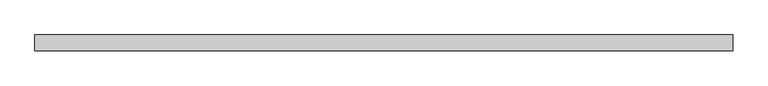
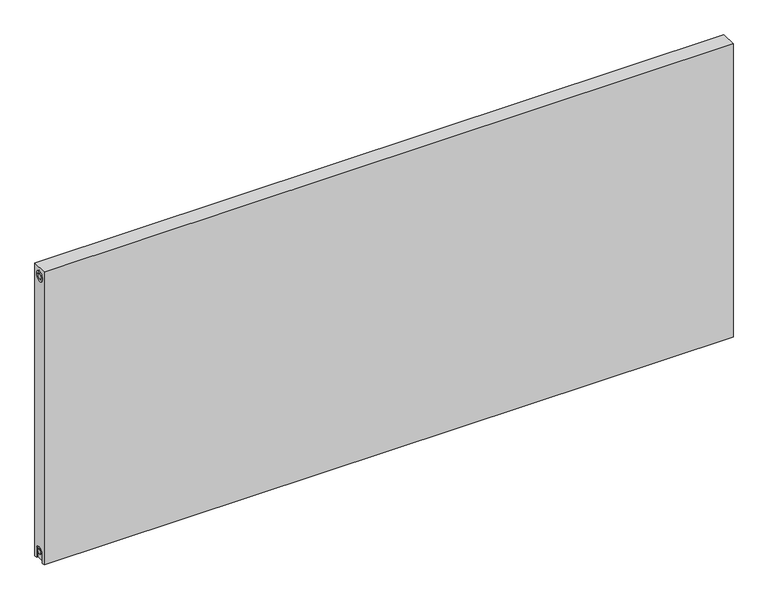
"""IFC4 building model written with IfcOpenShell, lengths in millimetres: proxy geometry."""

from ifc_helpers import new_model, si_unit, frame, origin, place, context, project, spatial, polyline, circle_curve, source, transform, mapped, element, save
from ifc_brep_helpers import plane_surface, cylinder_surface, revolved_surface, advanced_brep


def mechanical_equipment_e15193d9(model_context):
    return source(origin(), model_context, "Body", "AdvancedBrep", [
        advanced_brep(
        [(2000.0, 23.0, 900.0), (2000.0, 23.0, 0.0), (0.0, 23.0, 0.0), (0.0, 23.0, 900.0), (2000.0, -23.0, 900.0), (0.0, -23.0, 900.0), (0.0, -23.0, 0.0), (2000.0, -23.0, 0.0), (2000.0, -15.0, 0.0), (2000.0, -15.0, 27.0), (2000.0, 15.0, 27.0), (2000.0, 15.0, 0.0), (2000.0, 14.7242393, 873.0), (2000.0, -15.2757607, 873.0), (2000.0, -7.5, 27.0), (2000.0, 7.5, 27.0), (2000.0, 7.2242393, 873.0), (2000.0, -7.7757607, 873.0), (1995.0, 15.0, 0.0), (1995.0, -15.0, 0.0), (0.0, -15.0, 0.0), (5.0, -15.0, 0.0), (5.0, 15.0, 0.0), (0.0, 15.0, 0.0), (0.0, 15.0, 27.0), (0.0, -15.0, 27.0), (0.0, -15.2757607, 873.0), (0.0, 14.7242393, 873.0), (0.0, -7.7757607, 873.0), (0.0, 7.2242393, 873.0), (0.0, 7.5, 27.0), (0.0, -7.5, 27.0), (5.0, -15.2757607, 873.0), (5.0, 14.7242393, 873.0), (5.0, -7.7757607, 873.0), (5.0, 7.2242393, 873.0), (5.0, -15.0, 27.0), (5.0, 15.0, 27.0), (5.0, -7.5, 27.0), (5.0, 7.5, 27.0), (1995.0, 15.0, 27.0), (1995.0, -15.0, 27.0), (1995.0, -7.5, 27.0), (1995.0, 7.5, 27.0), (1995.0, -15.2757607, 873.0), (1995.0, 14.7242393, 873.0), (1995.0, -7.7757607, 873.0), (1995.0, 7.2242393, 873.0)],
        [
            (0, 1),
            (1, 2),
            (2, 3),
            (3, 0),
            (4, 5),
            (5, 6),
            (6, 7),
            (7, 4),
            (0, 4),
            (7, 8),
            (8, 9),
            (9, 10, circle_curve(frame((2000.0, 0.0, 27.0), z_axis=(-1.0, 0.0, 0.0), x_axis=(0.0, 1.0, 0.0)), 15.0)),
            (10, 11),
            (11, 1),
            (12, 13, circle_curve(frame((2000.0, -0.2757607, 873.0), z_axis=(-1.0, 0.0, 0.0), x_axis=(0.0, 1.0, 0.0)), 15.0)),
            (13, 12, circle_curve(frame((2000.0, -0.2757607, 873.0), z_axis=(-1.0, 0.0, 0.0), x_axis=(0.0, 1.0, 0.0)), 15.0)),
            (14, 15, circle_curve(frame((2000.0, 0.0, 27.0), z_axis=(1.0, 0.0, 0.0), x_axis=(0.0, 1.0, 0.0)), 7.5)),
            (15, 14, circle_curve(frame((2000.0, 0.0, 27.0), z_axis=(1.0, 0.0, 0.0), x_axis=(0.0, 1.0, 0.0)), 7.5)),
            (16, 17, circle_curve(frame((2000.0, -0.2757607, 873.0), z_axis=(1.0, 0.0, 0.0), x_axis=(0.0, 1.0, 0.0)), 7.5)),
            (17, 16, circle_curve(frame((2000.0, -0.2757607, 873.0), z_axis=(1.0, 0.0, 0.0), x_axis=(0.0, 1.0, 0.0)), 7.5)),
            (11, 18),
            (18, 19),
            (19, 8),
            (6, 20),
            (20, 21),
            (21, 22),
            (22, 23),
            (23, 2),
            (23, 24),
            (24, 25, circle_curve(frame((0.0, 0.0, 27.0), z_axis=(1.0, 0.0, 0.0), x_axis=(0.0, 1.0, 0.0)), 15.0)),
            (25, 20),
            (5, 3),
            (26, 27, circle_curve(frame((0.0, -0.2757607, 873.0), z_axis=(1.0, 0.0, 0.0), x_axis=(0.0, 1.0, 0.0)), 15.0)),
            (27, 26, circle_curve(frame((0.0, -0.2757607, 873.0), z_axis=(1.0, 0.0, 0.0), x_axis=(0.0, 1.0, 0.0)), 15.0)),
            (28, 29, circle_curve(frame((0.0, -0.2757607, 873.0), z_axis=(-1.0, 0.0, 0.0), x_axis=(0.0, 1.0, 0.0)), 7.5)),
            (29, 28, circle_curve(frame((0.0, -0.2757607, 873.0), z_axis=(-1.0, 0.0, 0.0), x_axis=(0.0, 1.0, 0.0)), 7.5)),
            (30, 31, circle_curve(frame((0.0, 0.0, 27.0), z_axis=(-1.0, 0.0, 0.0), x_axis=(0.0, 1.0, 0.0)), 7.5)),
            (31, 30, circle_curve(frame((0.0, 0.0, 27.0), z_axis=(-1.0, 0.0, 0.0), x_axis=(0.0, 1.0, 0.0)), 7.5)),
            (32, 33, circle_curve(frame((5.0, -0.2757607, 873.0), z_axis=(-1.0, 0.0, 0.0), x_axis=(0.0, 1.0, 0.0)), 15.0)),
            (33, 32, circle_curve(frame((5.0, -0.2757607, 873.0), z_axis=(-1.0, 0.0, 0.0), x_axis=(0.0, 1.0, 0.0)), 15.0)),
            (34, 35, circle_curve(frame((5.0, -0.2757607, 873.0), z_axis=(1.0, 0.0, 0.0), x_axis=(0.0, 1.0, 0.0)), 7.5)),
            (35, 34, circle_curve(frame((5.0, -0.2757607, 873.0), z_axis=(1.0, 0.0, 0.0), x_axis=(0.0, 1.0, 0.0)), 7.5)),
            (33, 27),
            (26, 32),
            (35, 29),
            (28, 34),
            (21, 36),
            (36, 37, circle_curve(frame((5.0, 0.0, 27.0), z_axis=(-1.0, 0.0, 0.0), x_axis=(0.0, 1.0, 0.0)), 15.0)),
            (37, 22),
            (38, 39, circle_curve(frame((5.0, 0.0, 27.0), z_axis=(1.0, 0.0, 0.0), x_axis=(0.0, 1.0, 0.0)), 7.5)),
            (39, 38, circle_curve(frame((5.0, 0.0, 27.0), z_axis=(1.0, 0.0, 0.0), x_axis=(0.0, 1.0, 0.0)), 7.5)),
            (38, 31),
            (30, 39),
            (37, 24),
            (36, 25),
            (18, 40),
            (40, 41, circle_curve(frame((1995.0, 0.0, 27.0), z_axis=(1.0, 0.0, 0.0), x_axis=(0.0, 1.0, 0.0)), 15.0)),
            (41, 19),
            (42, 43, circle_curve(frame((1995.0, 0.0, 27.0), z_axis=(-1.0, 0.0, 0.0), x_axis=(0.0, 1.0, 0.0)), 7.5)),
            (43, 42, circle_curve(frame((1995.0, 0.0, 27.0), z_axis=(-1.0, 0.0, 0.0), x_axis=(0.0, 1.0, 0.0)), 7.5)),
            (43, 15),
            (14, 42),
            (10, 40),
            (9, 41),
            (44, 45, circle_curve(frame((1995.0, -0.2757607, 873.0), z_axis=(1.0, 0.0, 0.0), x_axis=(0.0, 1.0, 0.0)), 15.0)),
            (45, 44, circle_curve(frame((1995.0, -0.2757607, 873.0), z_axis=(1.0, 0.0, 0.0), x_axis=(0.0, 1.0, 0.0)), 15.0)),
            (46, 47, circle_curve(frame((1995.0, -0.2757607, 873.0), z_axis=(-1.0, 0.0, 0.0), x_axis=(0.0, 1.0, 0.0)), 7.5)),
            (47, 46, circle_curve(frame((1995.0, -0.2757607, 873.0), z_axis=(-1.0, 0.0, 0.0), x_axis=(0.0, 1.0, 0.0)), 7.5)),
            (44, 13),
            (12, 45),
            (46, 17),
            (16, 47),
        ],
        [
            plane_surface(frame((2000.0, 23.0, 900.0), z_axis=(0.0, 1.0, 0.0), x_axis=(0.0, 0.0, -1.0))),
            plane_surface(frame((2000.0, -23.0, 900.0), z_axis=(0.0, -1.0, 0.0), x_axis=(0.0, 0.0, 1.0))),
            plane_surface(frame((2000.0, 23.0, 900.0), z_axis=(1.0, 0.0, 0.0), x_axis=(0.0, -1.0, 0.0))),
            plane_surface(frame((2000.0, 23.0, 0.0), z_axis=(0.0, 0.0, -1.0), x_axis=(0.0, -1.0, 0.0))),
            plane_surface(frame((0.0, 23.0, 0.0), z_axis=(-1.0, 0.0, 0.0), x_axis=(0.0, -1.0, 0.0))),
            plane_surface(frame((0.0, 23.0, 900.0), z_axis=(0.0, 0.0, 1.0), x_axis=(0.0, -1.0, 0.0))),
            plane_surface(frame((5.0, 14.7242393, 873.0), z_axis=(-1.0, 0.0, 0.0), x_axis=(0.0, 0.0, 1.0))),
            revolved_surface(polyline([(5.0, 14.7242393, 873.0), (0.0, 14.7242393, 873.0)]), (0.0, -0.2757607, 873.0), (1.0, 0.0, 0.0)),
            cylinder_surface(frame((0.0, -0.2757607, 873.0), z_axis=(-1.0, 0.0, 0.0), x_axis=(0.0, 1.0, 0.0)), 7.5),
            plane_surface(frame((5.0, 7.5, 27.0), z_axis=(-1.0, 0.0, 0.0), x_axis=(0.0, 0.0, -1.0))),
            cylinder_surface(frame((0.0, 0.0, 27.0), z_axis=(-1.0, 0.0, 0.0), x_axis=(0.0, 1.0, 0.0)), 7.5),
            plane_surface(frame((5.0, 15.0, 0.0), z_axis=(0.0, -1.0, 0.0), x_axis=(-1.0, 0.0, 0.0))),
            revolved_surface(polyline([(5.0, 15.0, 27.0), (0.0, 15.0, 27.0)]), (0.0, 0.0, 27.0), (1.0, 0.0, 0.0)),
            plane_surface(frame((5.0, -15.0, 27.0), z_axis=(0.0, 1.0, 0.0), x_axis=(-1.0, 0.0, 0.0))),
            plane_surface(frame((1995.0, 7.5, 27.0), z_axis=(1.0, 0.0, 0.0), x_axis=(0.0, 0.0, 1.0))),
            cylinder_surface(frame((1995.0, 0.0, 27.0), z_axis=(-1.0, 0.0, 0.0), x_axis=(0.0, 1.0, 0.0)), 7.5),
            plane_surface(frame((2000.0, 15.0, 0.0), z_axis=(0.0, -1.0, 0.0), x_axis=(-1.0, 0.0, 0.0))),
            revolved_surface(polyline([(2000.0, 15.0, 27.0), (1995.0, 15.0, 27.0)]), (895.0, 0.0, 27.0), (1.0, 0.0, 0.0)),
            plane_surface(frame((2000.0, -15.0, 27.0), z_axis=(0.0, 1.0, 0.0), x_axis=(-1.0, 0.0, 0.0))),
            plane_surface(frame((1995.0, 14.7242393, 873.0), z_axis=(1.0, 0.0, 0.0), x_axis=(0.0, 0.0, -1.0))),
            revolved_surface(polyline([(2000.0, 14.7242393, 873.0), (1995.0, 14.7242393, 873.0)]), (1995.0, -0.2757607, 873.0), (1.0, 0.0, 0.0)),
            cylinder_surface(frame((895.0, -0.2757607, 873.0), z_axis=(-1.0, 0.0, 0.0), x_axis=(0.0, 1.0, 0.0)), 7.5),
        ],
        [
            (0, [[1, 2, 3, 4]]),
            (1, [[5, 6, 7, 8]]),
            (2, [[-1, 9, -8, 10, 11, 12, 13, 14], [15, 16]]),
            (2, [[17, 18]]),
            (2, [[19, 20]]),
            (3, [[-2, -14, 21, 22, 23, -10, -7, 24, 25, 26, 27, 28]]),
            (4, [[-3, -28, 29, 30, 31, -24, -6, 32], [33, 34]]),
            (4, [[35, 36]]),
            (4, [[37, 38]]),
            (5, [[-4, -32, -5, -9]]),
            (6, [[39, 40], [41, 42]]),
            (7, [[-40, 43, -33, 44]]),
            (7, [[-39, -44, -34, -43]]),
            (8, [[-42, 45, -35, 46]]),
            (8, [[-41, -46, -36, -45]]),
            (9, [[47, 48, 49, -26], [50, 51]]),
            (10, [[-50, 52, -37, 53]]),
            (10, [[-51, -53, -38, -52]]),
            (11, [[-49, 54, -29, -27]]),
            (12, [[-48, 55, -30, -54]]),
            (13, [[-47, -25, -31, -55]]),
            (14, [[56, 57, 58, -22], [59, 60]]),
            (15, [[-60, 61, -17, 62]]),
            (15, [[-59, -62, -18, -61]]),
            (16, [[-56, -21, -13, 63]]),
            (17, [[-57, -63, -12, 64]]),
            (18, [[-58, -64, -11, -23]]),
            (19, [[65, 66], [67, 68]]),
            (20, [[-65, 69, -15, 70]]),
            (20, [[-66, -70, -16, -69]]),
            (21, [[-67, 71, -19, 72]]),
            (21, [[-68, -72, -20, -71]]),
        ],
    ),
    ])


if __name__ == "__main__":
    model = new_model("IFC4")
    model_context = context("Model", 3, world=origin())
    ifc_project = project(units=[si_unit("LENGTHUNIT", "METRE", prefix="MILLI")], contexts=[model_context])
    site = spatial("IfcSite", under=ifc_project)
    building = spatial("IfcBuilding", under=site)
    placement = place(None, origin())
    mechanical_equipment_shape = mechanical_equipment_e15193d9(model_context)
    element("IfcBuildingElementProxy", 1, Name="Mechanical Equipment", at=placement, inside=building, context=model_context, shape_type="MappedRepresentation", body=[
        mapped(mechanical_equipment_shape, transform((0.0, 0.0, 0.0), x_axis=(1.0, 0.0, 0.0), y_axis=(0.0, 1.0, 0.0), z_axis=(0.0, 0.0, 1.0))),
    ])
    save(model, "model.ifc")
